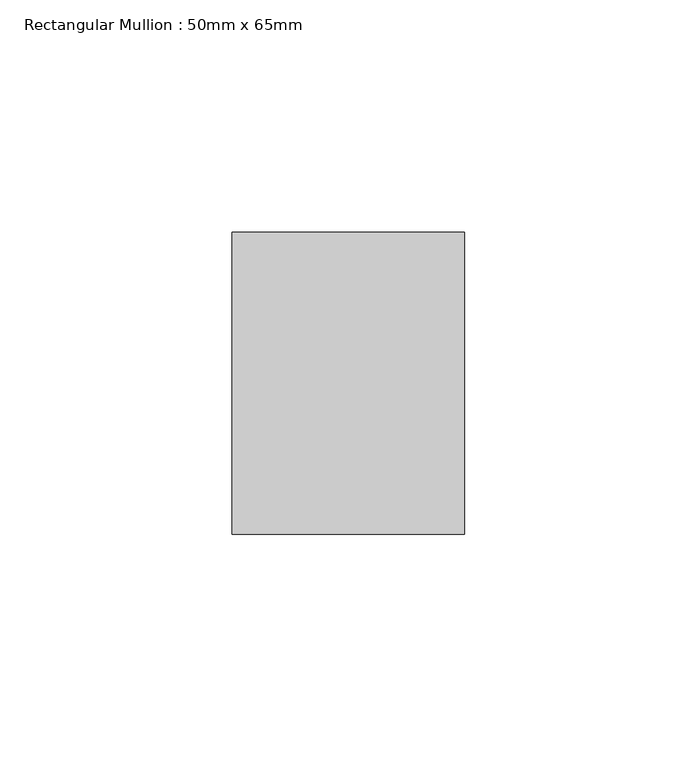
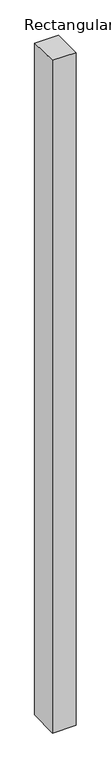
"""IFC4 building model written with IfcOpenShell, lengths in millimetres: member geometry, Rectangular Mullion : 50mm x 65mm."""

from ifc_helpers import new_model, si_unit, origin, place, context, project, spatial, faceted_brep, source, transform, mapped, element, save


def rectangular_mullion_50mm_x_65mm_0838e107(model_context):
    return source(origin(), model_context, "Body", "Brep", [
        faceted_brep([(-25.0, 32.5, -0.4518136), (25.0, 32.5, -0.4518148), (25.0, 32.5, -1499.4319433), (-25.0, 32.5, -1499.4319449), (-25.0, -32.5, 0.4518148), (-25.0, -32.5, -1500.5685834), (25.0, -32.5, 0.4518136), (25.0, -32.5, -1500.5685818)], [[[0, 1, 2, 3]], [[4, 0, 3, 5]], [[6, 4, 5, 7]], [[1, 6, 7, 2]], [[1, 0, 4, 6]], [[2, 7, 5, 3]]]),
    ])


if __name__ == "__main__":
    model = new_model("IFC4")
    model_context = context("Model", 3, world=origin())
    ifc_project = project(units=[si_unit("LENGTHUNIT", "METRE", prefix="MILLI")], contexts=[model_context])
    site = spatial("IfcSite", under=ifc_project)
    building = spatial("IfcBuilding", under=site)
    placement = place(None, origin())
    rectangular_mullion_50mm_x_65mm_shape = rectangular_mullion_50mm_x_65mm_0838e107(model_context)
    element("IfcMember", 1, ObjectType="Rectangular Mullion : 50mm x 65mm", at=placement, inside=building, context=model_context, shape_type="MappedRepresentation", body=[
        mapped(rectangular_mullion_50mm_x_65mm_shape, transform((0.0, 0.0, 0.0), x_axis=(1.0, 0.0, 0.0), y_axis=(0.0, 1.0, 0.0), z_axis=(0.0, 0.0, 1.0))),
    ])
    save(model, "model.ifc")
